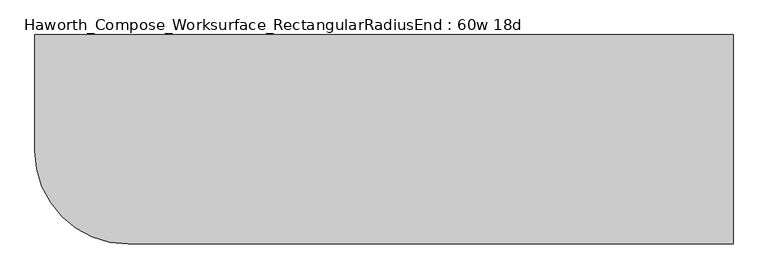
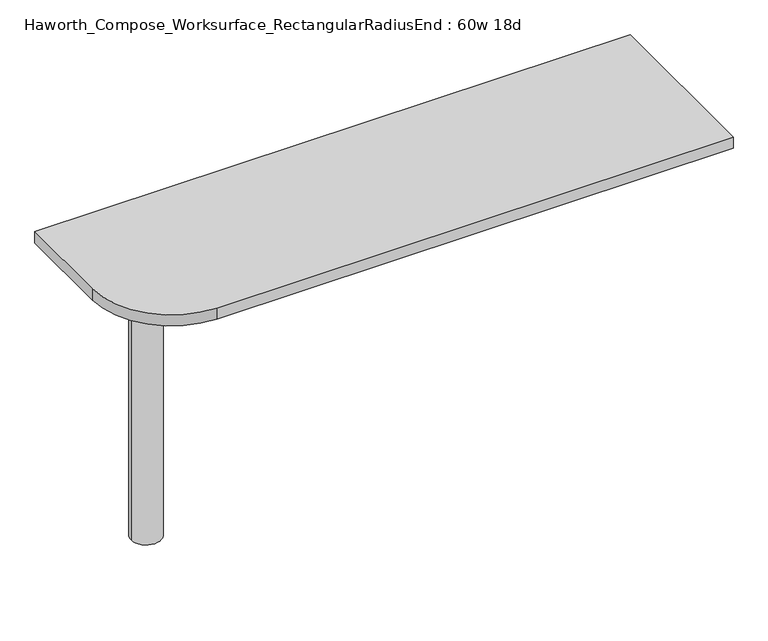
"""IFC4 building model written with IfcOpenShell, lengths in millimetres: furniture geometry, Haworth_Compose_Worksurface_RectangularRadiusEnd : 60w 18d."""

from ifc_helpers import new_model, si_unit, point, frame, frame_2d, origin, place, context, project, spatial, polyline, circle_curve, trimmed, segment, composite_curve, outline, extrude, source, transform, mapped, element, save
from ifc_brep_helpers import plane_surface, cylinder_surface, revolved_surface, advanced_brep


def haworth_compose_worksurface_rectangularradiusend_60w_18d_c82f55bd(model_context):
    return source(origin(), model_context, "Body", "SolidModel", [
        advanced_brep(
        [(756.44375, 228.6, 475.45625), (756.44375, 212.725, 475.45625), (756.44375, -177.8, 691.7192568), (756.44375, -177.8, 704.05625), (756.44375, 212.725, 704.05625), (756.44375, 228.6, 704.05625), (756.44375, 145.290072, 665.95625), (756.44375, 101.6355284, 665.95625), (756.44375, 98.9564235, 656.3705539), (756.44375, 190.6776173, 605.5776439), (756.44375, 200.025, 611.1756969), (756.44375, 200.025, 634.6860246), (756.44375, 198.2730055, 637.5242776), (756.44375, 148.3663437, 665.1613425), (758.825, 228.6, 475.45625), (758.825, 228.6, 704.05625), (758.825, 212.725, 704.05625), (758.825, 212.725, 706.4375), (758.825, -177.8, 706.4375), (758.825, -177.8, 691.7192568), (758.825, 212.725, 475.45625), (758.825, 145.290072, 665.95625), (758.825, 148.3663437, 665.1613425), (758.825, 198.2730055, 637.5242776), (758.825, 200.025, 634.6860246), (758.825, 200.025, 611.1756969), (758.825, 190.6776173, 605.5776439), (758.825, 98.9564235, 656.3705539), (758.825, 101.6355284, 665.95625), (717.55, -177.8, 706.4375), (717.55, -177.8, 704.05625), (717.55, 212.725, 704.05625), (717.55, 212.725, 706.4375)],
        [
            (0, 1),
            (1, 2),
            (2, 3),
            (3, 4),
            (4, 5),
            (5, 0),
            (6, 7),
            (7, 8, circle_curve(frame((756.44375, 101.6355284, 660.7890106), z_axis=(1.0, 0.0, 0.0), x_axis=(0.0, -1.0, 0.0)), 5.1672394)),
            (8, 9),
            (9, 10, circle_curve(frame((756.44375, 193.675, 611.1756969), z_axis=(1.0, 0.0, 0.0), x_axis=(0.0, -1.0, 0.0)), 6.35)),
            (10, 11),
            (11, 12, circle_curve(frame((756.44375, 196.85, 634.6860246), z_axis=(1.0, 0.0, 0.0), x_axis=(0.0, -1.0, 0.0)), 3.175)),
            (12, 13),
            (13, 6, circle_curve(frame((756.44375, 145.290072, 659.60625), z_axis=(1.0, 0.0, 0.0), x_axis=(0.0, -1.0, 0.0)), 6.35)),
            (14, 15),
            (15, 16),
            (16, 17),
            (17, 18),
            (18, 19),
            (19, 20),
            (20, 14),
            (21, 22, circle_curve(frame((758.825, 145.290072, 659.60625), z_axis=(-1.0, 0.0, 0.0), x_axis=(0.0, -1.0, 0.0)), 6.35)),
            (22, 23),
            (23, 24, circle_curve(frame((758.825, 196.85, 634.6860246), z_axis=(-1.0, 0.0, 0.0), x_axis=(0.0, -1.0, 0.0)), 3.175)),
            (24, 25),
            (25, 26, circle_curve(frame((758.825, 193.675, 611.1756969), z_axis=(-1.0, 0.0, 0.0), x_axis=(0.0, -1.0, 0.0)), 6.35)),
            (26, 27),
            (27, 28, circle_curve(frame((758.825, 101.6355284, 660.7890106), z_axis=(-1.0, 0.0, 0.0), x_axis=(0.0, -1.0, 0.0)), 5.1672394)),
            (28, 21),
            (4, 16),
            (15, 5),
            (14, 0),
            (20, 1),
            (19, 2),
            (18, 29),
            (29, 30),
            (30, 3),
            (6, 21),
            (28, 7),
            (9, 26),
            (25, 10),
            (24, 11),
            (23, 12),
            (27, 8),
            (31, 4),
            (30, 31),
            (32, 29),
            (17, 32),
            (31, 32),
            (22, 13),
        ],
        [
            plane_surface(frame((756.44375, 228.6, 475.45625), z_axis=(-1.0, 0.0, 0.0), x_axis=(0.0, 1.0, 0.0))),
            plane_surface(frame((758.825, 228.6, 475.45625), z_axis=(1.0, 0.0, 0.0), x_axis=(0.0, -1.0, 0.0))),
            plane_surface(frame((758.825, -177.8, 704.05625), z_axis=(0.0, 0.0, 1.0), x_axis=(-1.0, 0.0, 0.0))),
            plane_surface(frame((758.825, 228.6, 704.05625), z_axis=(0.0, 1.0, 0.0), x_axis=(-1.0, 0.0, 0.0))),
            plane_surface(frame((758.825, 228.6, 475.45625), z_axis=(0.0, 0.0, -1.0), x_axis=(-1.0, 0.0, 0.0))),
            plane_surface(frame((758.825, 212.725, 475.45625), z_axis=(0.0, -0.48445223513455843, -0.8748177135112952), x_axis=(-1.0, 0.0, 0.0))),
            plane_surface(frame((758.825, -177.8, 691.7192568), z_axis=(0.0, -1.0, 0.0), x_axis=(-1.0, 0.0, 0.0))),
            plane_surface(frame((758.825, 145.290072, 665.95625), z_axis=(0.0, 0.0, -1.0), x_axis=(-1.0, 0.0, 0.0))),
            revolved_surface(polyline([(756.44375, 187.32500000000002, 611.1756969), (758.825, 187.32500000000002, 611.1756969)]), (758.825, 193.675, 611.1756969), (-1.0, 0.0, 0.0)),
            plane_surface(frame((758.825, 200.025, 611.1756969), z_axis=(0.0, -1.0, 0.0), x_axis=(-1.0, 0.0, 0.0))),
            revolved_surface(polyline([(756.44375, 193.67499999999998, 634.6860246), (758.825, 193.67499999999998, 634.6860246)]), (758.825, 196.85, 634.6860246), (-1.0, 0.0, 0.0)),
            revolved_surface(polyline([(756.44375, 96.468289, 660.7890106), (758.825, 96.468289, 660.7890106)]), (758.825, 101.6355284, 660.7890106), (-1.0, 0.0, 0.0)),
            plane_surface(frame((758.825, 212.725, 704.05625), z_axis=(0.0, 0.0, -1.0), x_axis=(-1.0, 0.0, 0.0))),
            plane_surface(frame((758.825, 212.725, 706.4375), z_axis=(0.0, 0.0, 1.0), x_axis=(1.0, 0.0, 0.0))),
            plane_surface(frame((717.55, 212.725, 706.4375), z_axis=(0.0, 1.0, 0.0), x_axis=(0.0, 0.0, -1.0))),
            plane_surface(frame((717.55, -177.8, 706.4375), z_axis=(-1.0, 0.0, 0.0), x_axis=(0.0, 0.0, -1.0))),
            plane_surface(frame((758.825, 98.9564235, 656.3705539), z_axis=(0.0, 0.4844522351345583, 0.8748177135112953), x_axis=(-1.0, 0.0, 0.0))),
            plane_surface(frame((758.825, 198.2730055, 637.5242776), z_axis=(0.0, -0.4844522351345582, -0.8748177135112953), x_axis=(-1.0, 0.0, 0.0))),
            revolved_surface(polyline([(756.44375, 138.94007200000001, 659.60625), (758.825, 138.94007200000001, 659.60625)]), (758.825, 145.290072, 659.60625), (-1.0, 0.0, 0.0)),
        ],
        [
            (0, [[1, 2, 3, 4, 5, 6], [7, 8, 9, 10, 11, 12, 13, 14]]),
            (1, [[15, 16, 17, 18, 19, 20, 21], [22, 23, 24, 25, 26, 27, 28, 29]]),
            (2, [[-5, 30, -16, 31]]),
            (3, [[-31, -15, 32, -6]]),
            (4, [[-32, -21, 33, -1]]),
            (5, [[-33, -20, 34, -2]]),
            (6, [[-34, -19, 35, 36, 37, -3]]),
            (7, [[38, -29, 39, -7]]),
            (8, [[40, -26, 41, -10]]),
            (9, [[-41, -25, 42, -11]]),
            (10, [[-42, -24, 43, -12]]),
            (11, [[-39, -28, 44, -8]]),
            (12, [[45, -4, -37, 46]]),
            (13, [[47, -35, -18, 48]]),
            (14, [[-17, -30, -45, 49, -48]]),
            (15, [[-36, -47, -49, -46]]),
            (16, [[-44, -27, -40, -9]]),
            (17, [[-43, -23, 50, -13]]),
            (18, [[-50, -22, -38, -14]]),
        ],
    ),
        advanced_brep(
        [(-571.5, 0.0, 706.4375), (-647.7, 0.0, 706.4375), (-609.6, 0.0, 706.4375), (-571.5, 0.0, 0.0), (-647.7, 0.0, 0.0), (-609.6, 0.0, 0.0)],
        [
            (0, 1, circle_curve(frame((-609.6, 0.0, 706.4375), z_axis=(0.0, 0.0, 1.0), x_axis=(-1.0, 0.0, 0.0)), 38.1)),
            (1, 2),
            (2, 0),
            (1, 0, circle_curve(frame((-609.6, 0.0, 706.4375), z_axis=(0.0, 0.0, 1.0), x_axis=(-1.0, 0.0, 0.0)), 38.1)),
            (3, 4, circle_curve(frame((-609.6, 0.0, 0.0), z_axis=(0.0, 0.0, 1.0), x_axis=(-1.0, 0.0, 0.0)), 38.1)),
            (4, 1),
            (0, 3),
            (4, 3, circle_curve(frame((-609.6, 0.0, 0.0), z_axis=(0.0, 0.0, 1.0), x_axis=(-1.0, 0.0, 0.0)), 38.1)),
            (5, 4),
            (3, 5),
        ],
        [
            plane_surface(frame((-609.6, 0.0, 706.4375), z_axis=(0.0, 0.0, 1.0), x_axis=(-1.0, 0.0, 0.0))),
            cylinder_surface(frame((-609.6, 0.0, 889.623257), z_axis=(0.0, 0.0, -1.0), x_axis=(-1.0, 0.0, 0.0)), 38.1),
            plane_surface(frame((-609.6, 0.0, 0.0), z_axis=(0.0, 0.0, -1.0), x_axis=(-1.0, 0.0, 0.0))),
        ],
        [
            (0, [[1, 2, 3]]),
            (0, [[4, -3, -2]]),
            (1, [[5, 6, -1, 7]]),
            (1, [[8, -7, -4, -6]]),
            (2, [[9, -5, 10]]),
            (2, [[-10, -8, -9]]),
        ],
    ),
        extrude(outline(composite_curve([segment(polyline([(762.0, 228.6), (762.0, -228.6), (-558.8, -228.6)]), True, "CONTINUOUS"), segment(trimmed(circle_curve(frame_2d((-558.8, -25.4)), 203.2), [point((-558.8, -228.6))], [point((-762.0, -25.4))], False, "CARTESIAN"), True, "CONTINUOUS"), segment(polyline([(-762.0, -25.4), (-762.0, 228.6), (762.0, 228.6)]), True, "CONTINUOUS")], self_intersect=False)), frame((0.0, 0.0, 706.4375), z_axis=(0.0, 0.0, 1.0), x_axis=(1.0, 0.0, 0.0)), (0.0, 0.0, 1.0), 30.1625),
    ])


if __name__ == "__main__":
    model = new_model("IFC4")
    model_context = context("Model", 3, world=origin())
    ifc_project = project(units=[si_unit("LENGTHUNIT", "METRE", prefix="MILLI")], contexts=[model_context])
    site = spatial("IfcSite", under=ifc_project)
    building = spatial("IfcBuilding", under=site)
    placement = place(None, origin())
    haworth_compose_worksurface_rectangularradiusend_60w_18d_shape = haworth_compose_worksurface_rectangularradiusend_60w_18d_c82f55bd(model_context)
    element("IfcFurniture", 1, ObjectType="Haworth_Compose_Worksurface_RectangularRadiusEnd : 60w 18d", at=placement, inside=building, context=model_context, shape_type="MappedRepresentation", body=[
        mapped(haworth_compose_worksurface_rectangularradiusend_60w_18d_shape, transform((0.0, 0.0, 0.0), x_axis=(1.0, 0.0, 0.0), y_axis=(0.0, 1.0, 0.0), z_axis=(0.0, 0.0, 1.0))),
    ])
    save(model, "model.ifc")
